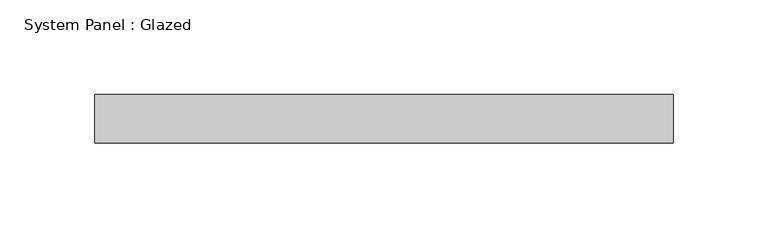
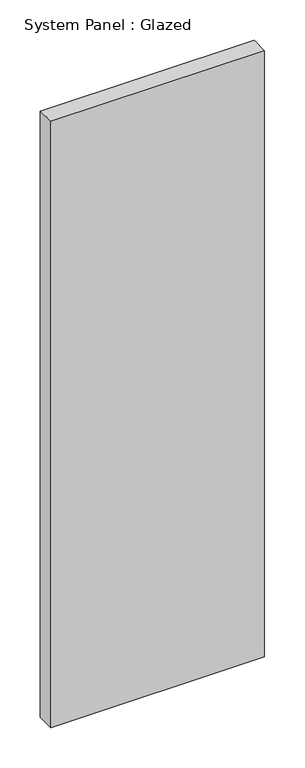
"""IFC4 building model written with IfcOpenShell, lengths in millimetres: plate geometry, System Panel : Glazed."""

from ifc_helpers import new_model, si_unit, origin, origin_with_axes, place, context, project, spatial, polyline, outline, extrude, source, transform, mapped, element, save


def system_panel_glazed_c39bd4ff(model_context):
    return source(origin(), model_context, "Body", "SweptSolid", [
        extrude(outline(polyline([(152.3999998, 19.05), (-152.3999998, 19.05), (-152.3999998, 44.45), (152.3999998, 44.45), (152.3999998, 19.05)])), origin_with_axes(), (0.0, 0.0, 1.0), 914.4),
    ])


if __name__ == "__main__":
    model = new_model("IFC4")
    model_context = context("Model", 3, world=origin())
    ifc_project = project(units=[si_unit("LENGTHUNIT", "METRE", prefix="MILLI")], contexts=[model_context])
    site = spatial("IfcSite", under=ifc_project)
    building = spatial("IfcBuilding", under=site)
    placement = place(None, origin())
    system_panel_glazed_shape = system_panel_glazed_c39bd4ff(model_context)
    element("IfcPlate", 1, ObjectType="System Panel : Glazed", at=placement, inside=building, context=model_context, shape_type="MappedRepresentation", body=[
        mapped(system_panel_glazed_shape, transform((0.0, 0.0, 0.0), x_axis=(1.0, 0.0, 0.0), y_axis=(0.0, 1.0, 0.0), z_axis=(0.0, 0.0, 1.0))),
    ])
    save(model, "model.ifc")
